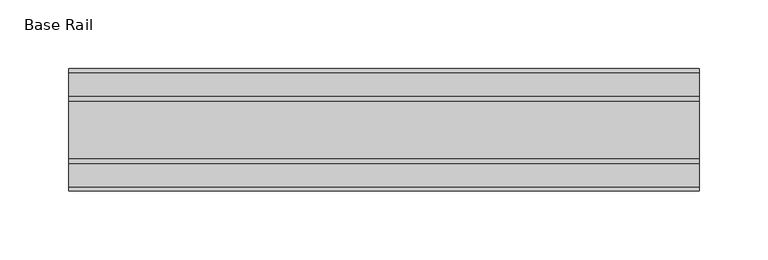
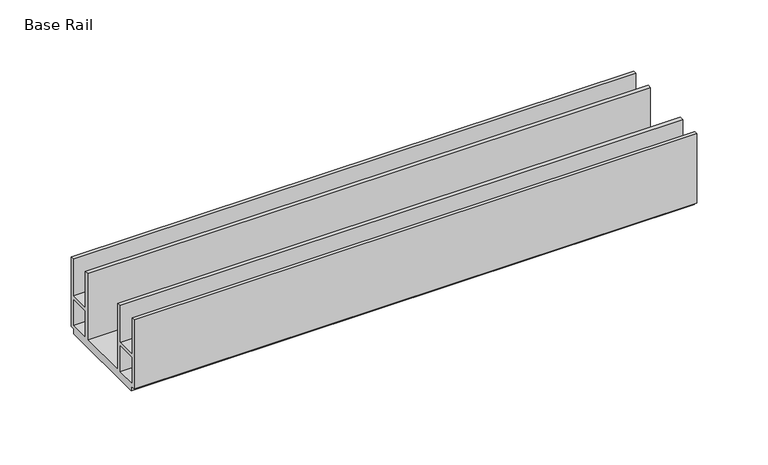
"""IFC4 building model written with IfcOpenShell, lengths in millimetres: furniture geometry, Base Rail."""

from ifc_helpers import new_model, si_unit, frame, origin, place, context, project, spatial, polyline, outline, extrude, source, transform, mapped, element, save


def base_rail_f86caf01(model_context):
    return source(origin(), model_context, "Body", "SweptSolid", [
        extrude(outline(polyline([(59.951805, 4.0000001), (55.9518063, 4.0000001), (55.9518063, 0.0), (-24.9481962, 0.0), (-24.9481962, 4.0000001), (-28.948195, 4.0000001), (-28.948195, 63.5), (-26.1481963, 63.5), (-26.1481963, 32.0000002), (-9.1450707, 32.0000002), (-9.1450707, 29.4000001), (-26.1481963, 29.4000001), (-26.1481963, 6.6000002), (-8.7481957, 6.6000002), (-8.7481957, 63.5), (-5.4481956, 63.5), (-5.4481956, 6.6000002), (36.4518057, 6.6000002), (36.4518057, 63.5), (39.7518058, 63.5), (39.7518058, 6.6000002), (57.1518064, 6.6000002), (57.1518064, 29.4000001), (40.1486808, 29.4000001), (40.1486808, 32.0000002), (57.1518064, 32.0000002), (57.1518064, 63.5), (59.951805, 63.5), (59.951805, 4.0000001)])), frame((-198.6228469, 0.0, 0.0), z_axis=(1.0, 0.0, 0.0), x_axis=(0.0, 1.0, 0.0)), (0.0, 0.0, 1.0), 457.2),
    ])


if __name__ == "__main__":
    model = new_model("IFC4")
    model_context = context("Model", 3, world=origin())
    ifc_project = project(units=[si_unit("LENGTHUNIT", "METRE", prefix="MILLI")], contexts=[model_context])
    site = spatial("IfcSite", under=ifc_project)
    building = spatial("IfcBuilding", under=site)
    placement = place(None, origin())
    base_rail_shape = base_rail_f86caf01(model_context)
    element("IfcFurniture", 1, ObjectType="Base Rail", at=placement, inside=building, context=model_context, shape_type="MappedRepresentation", body=[
        mapped(base_rail_shape, transform((0.0, 0.0, 0.0), x_axis=(1.0, 0.0, 0.0), y_axis=(0.0, 1.0, 0.0), z_axis=(0.0, 0.0, 1.0))),
    ])
    save(model, "model.ifc")
